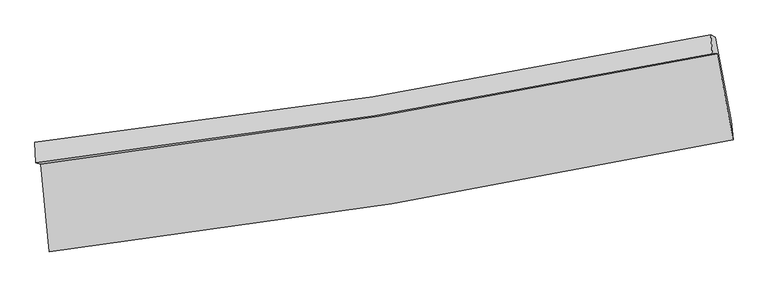
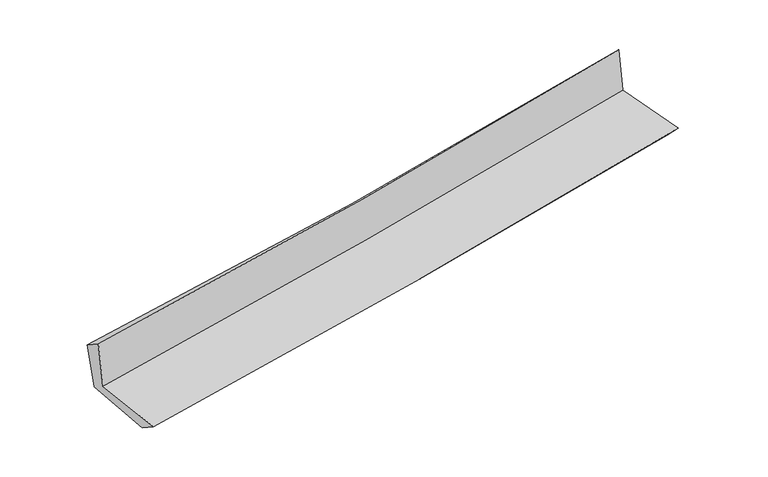
"""IFC4 building model written with IfcOpenShell, lengths in millimetres: proxy geometry."""

from ifc_helpers import new_model, si_unit, frame, origin, place, context, project, spatial, source, transform, mapped, element, save
from ifc_brep_helpers import plane_surface, spline_curve, spline_surface, advanced_brep


def generic_models_5ea2d4f0(model_context):
    return source(origin(), model_context, "Body", "AdvancedBrep", [
        advanced_brep(
        [(-2572.2777633, -1902.4141661, 1640.2390013), (-2507.5983287, -2563.4323621, 1638.9416845), (2647.1744682, -1717.0790505, 2129.5511793), (2525.9924529, -1071.7701463, 2135.751251), (-2608.0205004, -1892.9809647, 2044.8039382), (2491.0197115, -1070.0809942, 2528.1094478), (-2614.7870072, -1736.4177673, 1945.7407046), (2478.2678007, -928.3622707, 2372.5443113), (-2577.5929836, -1775.8057591, 1558.309012), (2513.4187377, -944.7274515, 2009.2289144), (-2514.1893846, -2404.6010177, 1535.2659581), (2633.3683716, -1574.1397877, 1983.3375463)],
        [
            (0, 1),
            (1, 2, spline_curve(3, [(-2507.5983287, -2563.4323621, 1638.9416845), (-1644.364011073, -2461.361889873, 1732.525046329), (-783.807278466, -2339.928827249, 1820.149744522), (934.466042967, -2057.924752888, 1983.721231678), (1792.166909318, -1897.240045138, 2059.633031992), (2647.1744682, -1717.0790505, 2129.5511793)], [4, 2, 4], [0.0, 8.549708513594027, 17.12448202828378])),
            (2, 3),
            (3, 0, spline_curve(3, [(2525.9924529, -1071.7701463, 2135.751251), (1679.725884373, -1245.194597072, 2065.061388939), (831.111458513, -1401.203020333, 1988.354536582), (-868.325653059, -1677.982690932, 1823.148661461), (-1719.134632433, -1798.855607701, 1734.684763962), (-2572.2777633, -1902.4141661, 1640.2390013)], [4, 2, 4], [0.0, 8.574773514689753, 17.12448202828378])),
            (4, 0),
            (3, 5),
            (5, 4, spline_curve(3, [(2491.0197115, -1070.0809942, 2528.1094478), (1645.14694396, -1244.742368575, 2456.244246973), (796.664775671, -1400.721120744, 2379.97079349), (-903.030527504, -1674.912047649, 2218.843222963), (-1754.2284303, -1793.233285868, 2134.014839805), (-2608.0205004, -1892.9809647, 2044.8039382)], [4, 2, 4], [0.0, 8.525998531360266, 17.02707463623724])),
            (6, 4),
            (5, 7),
            (7, 6, spline_curve(3, [(2478.2678007, -928.3622707, 2372.5443113), (1633.820331381, -1104.898293919, 2309.85974739), (786.550014219, -1260.572334696, 2242.892179064), (-911.151400894, -1529.802381508, 2100.599307554), (-1761.566019601, -1643.480172859, 2025.299006893), (-2614.7870072, -1736.4177673, 1945.7407046)], [4, 2, 4], [0.0, 8.514101102010073, 17.003314555024474])),
            (8, 6),
            (7, 9),
            (9, 8, spline_curve(3, [(2513.4187377, -944.7274515, 2009.2289144), (1669.377246013, -1122.295257279, 1941.150457528), (822.480376397, -1280.408622632, 1869.474311365), (-874.540199611, -1557.321156362, 1719.146675289), (-1724.64723702, -1676.233893829, 1640.516187002), (-2577.5929836, -1775.8057591, 1558.309012)], [4, 2, 4], [0.0, 8.50646665504021, 16.988067977408477])),
            (10, 8),
            (9, 11),
            (11, 10, spline_curve(3, [(2633.3683716, -1574.1397877, 1983.3375463), (1779.655519173, -1752.518289056, 1918.337379471), (923.204073281, -1910.984834858, 1848.436180504), (-792.664499197, -2187.689005316, 1699.050374), (-1652.065638746, -2306.042869591, 1619.594376739), (-2514.1893846, -2404.6010177, 1535.2659581)], [4, 2, 4], [0.0, 8.55479335413715, 17.084580111373775])),
            (1, 10),
            (11, 2),
        ],
        [
            spline_surface(3, 3, [[(-2572.2777633, -1902.4141661, 1640.2390013), (-1719.134632363, -1798.855607799, 1734.684763987), (-868.325652982, -1677.982691051, 1823.148661459), (831.111458435, -1401.203020214, 1988.354536585), (1679.725884476, -1245.194597026, 2065.061389023), (2525.9924529, -1071.7701463, 2135.751251)], [(-2550.717951761, -2122.753564763, 1639.806562355), (-1694.211091948, -2019.6910352, 1733.964858104), (-840.152861483, -1898.631403109, 1822.149022473), (865.562986669, -1620.110264448, 1986.81010165), (1717.206226151, -1462.543079738, 2063.251936655), (2566.386458018, -1286.873114369, 2133.684560447)], [(-2529.158140239, -2343.092963437, 1639.374123445), (-1669.287551551, -2240.526462612, 1733.244952257), (-811.980070059, -2119.280115164, 1821.149383446), (900.014514828, -1839.01750868, 1985.265666674), (1754.686567772, -1679.891562444, 2061.442484245), (2606.780463082, -1501.976082431, 2131.617869853)], [(-2507.5983287, -2563.4323621, 1638.9416845), (-1644.364011136, -2461.361890013, 1732.525046373), (-783.80727856, -2339.928827222, 1820.14974446), (934.466043061, -2057.924752914, 1983.72123174), (1792.166909448, -1897.240045157, 2059.633031877), (2647.1744682, -1717.0790505, 2129.5511793)]], [4, 4], [4, 2, 4], [0.0, 2.185036806593971], [0.0, 8.549708513594027, 17.12448202828378]),
            spline_surface(3, 3, [[(-2608.0205004, -1892.9809647, 2044.8039382), (-1754.228430213, -1793.233285963, 2134.014839841), (-903.030527644, -1674.912047755, 2218.843222987), (796.664775812, -1400.721120638, 2379.970793467), (1645.146943892, -1244.742368708, 2456.244246846), (2491.0197115, -1070.0809942, 2528.1094478)], [(-2596.106254715, -1896.125365149, 1909.948959227), (-1742.530497611, -1795.107393224, 2000.90481455), (-891.462236094, -1675.935595539, 2086.945035808), (808.147003349, -1400.881753849, 2249.43204117), (1656.673257402, -1244.893111478, 2325.849960889), (2502.677291949, -1070.644044898, 2397.323382185)], [(-2584.192008985, -1899.269765651, 1775.093980273), (-1730.832564965, -1796.981500538, 1867.794789279), (-879.893944532, -1676.959143267, 1955.046848637), (819.629230898, -1401.042387003, 2118.893288881), (1668.199570965, -1245.043854256, 2195.455674979), (2514.334872451, -1071.207095602, 2266.537316615)], [(-2572.2777633, -1902.4141661, 1640.2390013), (-1719.134632363, -1798.855607799, 1734.684763987), (-868.325652982, -1677.982691051, 1823.148661459), (831.111458435, -1401.203020214, 1988.354536585), (1679.725884476, -1245.194597026, 2065.061389023), (2525.9924529, -1071.7701463, 2135.751251)]], [4, 4], [4, 2, 4], [0.0, 1.2964860179015492], [0.0, 8.501076104876976, 17.02707463623724]),
            spline_surface(3, 3, [[(-2614.7870072, -1736.4177673, 1945.7407046), (-1761.566019464, -1643.480172823, 2025.299006764), (-911.151400757, -1529.802381477, 2100.599307476), (786.550014082, -1260.572334726, 2242.892179143), (1633.82033133, -1104.898293887, 2309.859747365), (2478.2678007, -928.3622707, 2372.5443113)], [(-2612.531504922, -1788.605499768, 1978.761782475), (-1759.120156369, -1693.397877204, 2061.537617798), (-908.444443072, -1578.172270219, 2140.013945971), (789.921601306, -1307.28859668, 2288.585050575), (1637.595868849, -1151.512985489, 2358.654580555), (2482.518437631, -975.601845195, 2424.399356829)], [(-2610.276002678, -1840.793232232, 2011.782860325), (-1756.674293308, -1743.315581582, 2097.776228807), (-905.737485329, -1626.542159013, 2179.428584492), (793.293188588, -1354.004858685, 2334.277922034), (1641.371406373, -1198.127677107, 2407.449413656), (2486.769074569, -1022.841419705, 2476.254402271)], [(-2608.0205004, -1892.9809647, 2044.8039382), (-1754.228430213, -1793.233285963, 2134.014839841), (-903.030527644, -1674.912047755, 2218.843222987), (796.664775812, -1400.721120638, 2379.970793467), (1645.146943892, -1244.742368708, 2456.244246846), (2491.0197115, -1070.0809942, 2528.1094478)]], [4, 4], [4, 2, 4], [0.0, 0.6287638250224011], [0.0, 8.4892134530144, 17.003314555024474]),
            spline_surface(3, 3, [[(-2577.5929836, -1775.8057591, 1558.309012), (-1724.647237068, -1676.233893773, 1640.516187025), (-874.540199548, -1557.321156411, 1719.146675191), (822.480376333, -1280.408622583, 1869.474311464), (1669.377245881, -1122.295257375, 1941.150457426), (2513.4187377, -944.7274515, 2009.2289144)], [(-2589.990991457, -1762.676428514, 1687.45290955), (-1736.953497857, -1665.315986803, 1768.777126955), (-886.743933268, -1548.148231439, 1846.29755263), (810.503588932, -1273.796526637, 1993.946934034), (1657.52494103, -1116.496269534, 2064.053554069), (2501.701758699, -939.272391222, 2130.334046697)], [(-2602.388999343, -1749.547097886, 1816.59680705), (-1749.259758675, -1654.398079792, 1897.038066835), (-898.947667036, -1538.975306449, 1973.448430037), (798.526801483, -1267.184430673, 2118.419556572), (1645.672636181, -1110.697281728, 2186.956650721), (2489.984779701, -933.817330978, 2251.439179003)], [(-2614.7870072, -1736.4177673, 1945.7407046), (-1761.566019464, -1643.480172823, 2025.299006764), (-911.151400757, -1529.802381477, 2100.599307476), (786.550014082, -1260.572334726, 2242.892179143), (1633.82033133, -1104.898293887, 2309.859747365), (2478.2678007, -928.3622707, 2372.5443113)]], [4, 4], [4, 2, 4], [0.0, 1.2463913698067028], [0.0, 8.481601322368267, 16.988067977408477]),
            spline_surface(3, 3, [[(-2514.1893846, -2404.6010177, 1535.2659581), (-1652.065638657, -2306.042869471, 1619.594376705), (-792.664499162, -2187.689005341, 1699.050373903), (923.204073246, -1910.984834833, 1848.436180602), (1779.655519168, -1752.518288997, 1918.337379463), (2633.3683716, -1574.1397877, 1983.3375463)], [(-2535.323917613, -2195.002598147, 1542.946976057), (-1676.259504808, -2096.106544218, 1626.568313468), (-819.956399283, -1977.566389044, 1705.749140988), (889.629507616, -1700.792764096, 1855.448890879), (1742.89609475, -1542.443945139, 1925.941738773), (2593.385160311, -1364.335675649, 1991.968002322)], [(-2556.458450587, -1985.404178653, 1550.627994043), (-1700.453370918, -1886.170219025, 1633.542250262), (-847.248299427, -1767.443772708, 1712.447908105), (856.054941963, -1490.60069332, 1862.461601187), (1706.136670299, -1332.369601234, 1933.546098115), (2553.401948989, -1154.531563551, 2000.598458378)], [(-2577.5929836, -1775.8057591, 1558.309012), (-1724.647237068, -1676.233893773, 1640.516187025), (-874.540199548, -1557.321156411, 1719.146675191), (822.480376333, -1280.408622583, 1869.474311464), (1669.377245881, -1122.295257375, 1941.150457426), (2513.4187377, -944.7274515, 2009.2289144)]], [4, 4], [4, 2, 4], [0.0, 2.091156758897147], [0.0, 8.529786757236625, 17.084580111373775]),
            spline_surface(3, 3, [[(-2507.5983287, -2563.4323621, 1638.9416845), (-1644.364011136, -2461.361890013, 1732.525046373), (-783.80727856, -2339.928827222, 1820.14974446), (934.466043061, -2057.924752914, 1983.72123174), (1792.166909448, -1897.240045157, 2059.633031877), (2647.1744682, -1717.0790505, 2129.5511793)], [(-2509.795347332, -2510.488580659, 1604.383109037), (-1646.931220309, -2409.588883191, 1694.88148982), (-786.759685452, -2289.182219907, 1779.783287605), (930.712053098, -2008.9447802, 1938.626214691), (1787.996446012, -1848.999459772, 2012.534481058), (2642.572435991, -1669.432629568, 2080.813301619)], [(-2511.992365968, -2457.544799141, 1569.824533563), (-1649.498429485, -2357.815876292, 1657.237933258), (-789.71209227, -2238.435612656, 1739.416830758), (926.958063209, -1959.964807548, 1893.53119765), (1783.825982604, -1800.758874382, 1965.435930282), (2637.970403809, -1621.786208632, 2032.075423981)], [(-2514.1893846, -2404.6010177, 1535.2659581), (-1652.065638657, -2306.042869471, 1619.594376705), (-792.664499162, -2187.689005341, 1699.050373903), (923.204073246, -1910.984834833, 1848.436180602), (1779.655519168, -1752.518288997, 1918.337379463), (2633.3683716, -1574.1397877, 1983.3375463)]], [4, 4], [4, 2, 4], [0.0, 0.6472045307446525], [0.0, 8.586048695687063, 17.19726893021936]),
            plane_surface(frame((2548.2069238, -1217.6932835, 2193.0871084), z_axis=(0.9792873060242075, 0.18306844994807356, 0.08650037510589226), x_axis=(-0.09620416129659447, 0.04478965942143275, 0.994353380724444))),
            plane_surface(frame((-2565.744328, -2045.9420062, 1727.2167164), z_axis=(-0.991631503879641, -0.09686183903533062, -0.08535071559217025), x_axis=(-0.09738292960252569, 0.9952450701969835, 0.00195327177604248))),
        ],
        [
            (0, [[1, 2, 3, 4]]),
            (1, [[5, -4, 6, 7]]),
            (2, [[8, -7, 9, 10]]),
            (3, [[11, -10, 12, 13]]),
            (4, [[14, -13, 15, 16]]),
            (5, [[17, -16, 18, -2]]),
            (6, [[-12, -9, -6, -3, -18, -15]]),
            (7, [[-1, -5, -8, -11, -14, -17]]),
        ],
    ),
    ])


if __name__ == "__main__":
    model = new_model("IFC4")
    model_context = context("Model", 3, world=origin())
    ifc_project = project(units=[si_unit("LENGTHUNIT", "METRE", prefix="MILLI")], contexts=[model_context])
    site = spatial("IfcSite", under=ifc_project)
    building = spatial("IfcBuilding", under=site)
    placement = place(None, origin())
    generic_models_shape = generic_models_5ea2d4f0(model_context)
    element("IfcBuildingElementProxy", 1, Name="Generic Models", at=placement, inside=building, context=model_context, shape_type="MappedRepresentation", body=[
        mapped(generic_models_shape, transform((0.0, 0.0, 0.0), x_axis=(1.0, 0.0, 0.0), y_axis=(0.0, 1.0, 0.0), z_axis=(0.0, 0.0, 1.0))),
    ])
    save(model, "model.ifc")
